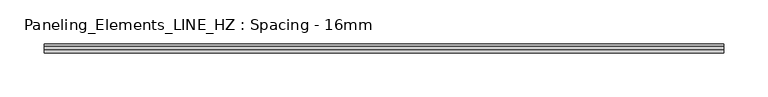
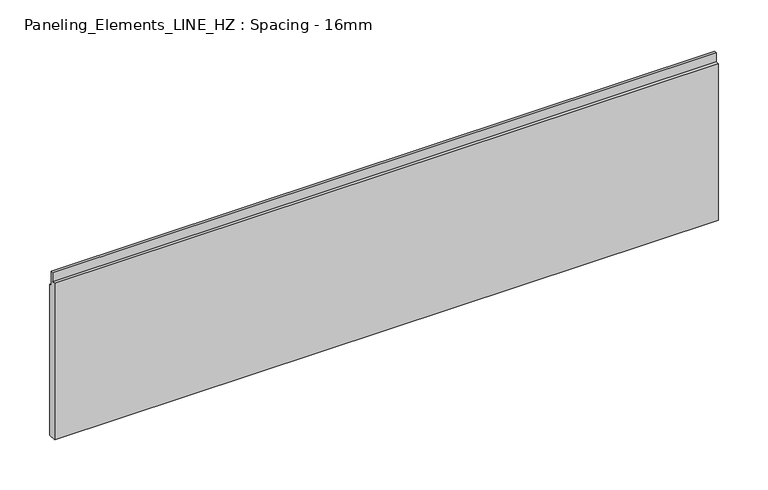
"""IFC4 building model written with IfcOpenShell, lengths in millimetres: plate geometry, Paneling_Elements_LINE_HZ : Spacing - 16mm."""

from ifc_helpers import new_model, si_unit, frame, origin, place, context, project, spatial, polyline, outline, extrude, source, transform, mapped, element, save


def paneling_elements_line_hz_spacing_16mm_e50d7f3b(model_context):
    return source(origin(), model_context, "Body", "SweptSolid", [
        extrude(outline(polyline([(5.0, 0.0), (-5.0, 0.0), (-5.0, 191.3), (-1.0, 191.3), (-1.0, 202.3), (2.0, 202.3), (2.0, 184.3), (5.0, 184.3), (5.0, 0.0)])), frame((-383.4, 0.0, 0.0), z_axis=(1.0, 0.0, 0.0), x_axis=(0.0, 1.0, 0.0)), (0.0, 0.0, 1.0), 766.8),
    ])


if __name__ == "__main__":
    model = new_model("IFC4")
    model_context = context("Model", 3, world=origin())
    ifc_project = project(units=[si_unit("LENGTHUNIT", "METRE", prefix="MILLI")], contexts=[model_context])
    site = spatial("IfcSite", under=ifc_project)
    building = spatial("IfcBuilding", under=site)
    placement = place(None, origin())
    paneling_elements_line_hz_spacing_16mm_shape = paneling_elements_line_hz_spacing_16mm_e50d7f3b(model_context)
    element("IfcPlate", 1, ObjectType="Paneling_Elements_LINE_HZ : Spacing - 16mm", at=placement, inside=building, context=model_context, shape_type="MappedRepresentation", body=[
        mapped(paneling_elements_line_hz_spacing_16mm_shape, transform((0.0, 0.0, 0.0), x_axis=(1.0, 0.0, 0.0), y_axis=(0.0, 1.0, 0.0), z_axis=(0.0, 0.0, 1.0))),
    ])
    save(model, "model.ifc")
